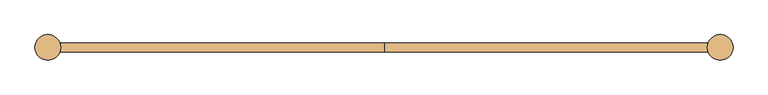
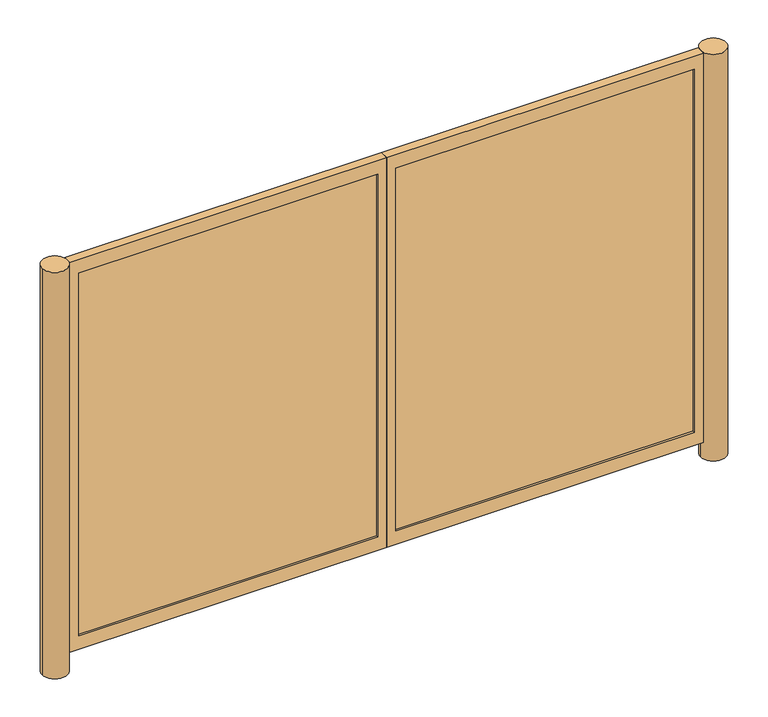
"""IFC4 building model written with IfcOpenShell, lengths in millimetres: door geometry."""

from ifc_helpers import new_model, si_unit, point, frame, frame_2d, origin, origin_with_axes, place, context, project, spatial, polyline, circle_curve, trimmed, segment, composite_curve, outline, extrude, source, transform, mapped, element, save


def door_7df4b515(model_context):
    return source(origin(), model_context, "Body", "SweptSolid", [
        extrude(outline(composite_curve([segment(trimmed(circle_curve(frame_2d((-1866.9, 0.0)), 71.4375), [point((-1938.3375, 0.0))], [point((-1795.4625, 0.0))], False, "CARTESIAN"), True, "CONTINUOUS"), segment(trimmed(circle_curve(frame_2d((-1866.9, 0.0)), 71.4375), [point((-1795.4625, 0.0))], [point((-1938.3375, 0.0))], False, "CARTESIAN"), True, "CONTINUOUS")], self_intersect=False)), origin_with_axes(), (0.0, 0.0, 1.0), 2438.4),
        extrude(outline(composite_curve([segment(trimmed(circle_curve(frame_2d((1866.9, 0.0)), 71.4375), [point((1795.4625, 0.0))], [point((1938.3375, 0.0))], False, "CARTESIAN"), True, "CONTINUOUS"), segment(trimmed(circle_curve(frame_2d((1866.9, 0.0)), 71.4375), [point((1938.3375, 0.0))], [point((1795.4625, 0.0))], False, "CARTESIAN"), True, "CONTINUOUS")], self_intersect=False)), origin_with_axes(), (0.0, 0.0, 1.0), 2438.4),
        extrude(outline(polyline([(-50.8, 12.7), (-50.8, -12.7), (-1744.6625, -12.7), (-1744.6625, 12.7), (-50.8, 12.7)])), frame((0.0, 0.0, 180.975), z_axis=(0.0, 0.0, 1.0), x_axis=(1.0, 0.0, 0.0)), (0.0, 0.0, 1.0), 2178.05),
        extrude(outline(polyline([(1744.6625, 12.7), (1744.6625, -12.7), (50.8, -12.7), (50.8, 12.7), (1744.6625, 12.7)])), frame((0.0, 0.0, 180.975), z_axis=(0.0, 0.0, 1.0), x_axis=(1.0, 0.0, 0.0)), (0.0, 0.0, 1.0), 2178.05),
        extrude(outline(polyline([(2438.4, -1795.4625), (101.6, -1795.4625), (101.6, 0.0), (2438.4, 0.0), (2438.4, -1795.4625)]), holes=[polyline([(2359.025, -1744.6625), (2359.025, -50.8), (180.975, -50.8), (180.975, -1744.6625), (2359.025, -1744.6625)])]), frame((0.0, -25.4, 0.0), z_axis=(0.0, 1.0, 0.0), x_axis=(0.0, 0.0, 1.0)), (0.0, 0.0, 1.0), 50.8),
        extrude(outline(polyline([(2438.4, 0.0), (101.6, 0.0), (101.6, 1795.4625), (2438.4, 1795.4625), (2438.4, 0.0)]), holes=[polyline([(2359.025, 50.8), (2359.025, 1744.6625), (180.975, 1744.6625), (180.975, 50.8), (2359.025, 50.8)])]), frame((0.0, -25.4, 0.0), z_axis=(0.0, 1.0, 0.0), x_axis=(0.0, 0.0, 1.0)), (0.0, 0.0, 1.0), 50.8),
    ])


if __name__ == "__main__":
    model = new_model("IFC4")
    model_context = context("Model", 3, world=origin())
    ifc_project = project(units=[si_unit("LENGTHUNIT", "METRE", prefix="MILLI")], contexts=[model_context])
    site = spatial("IfcSite", under=ifc_project)
    building = spatial("IfcBuilding", under=site)
    placement = place(None, origin())
    door_shape = door_7df4b515(model_context)
    element("IfcDoor", 1, at=placement, inside=building, context=model_context, shape_type="MappedRepresentation", body=[
        mapped(door_shape, transform((0.0, 0.0, 0.0), x_axis=(1.0, 0.0, 0.0), y_axis=(0.0, 1.0, 0.0), z_axis=(0.0, 0.0, 1.0))),
    ])
    save(model, "model.ifc")
